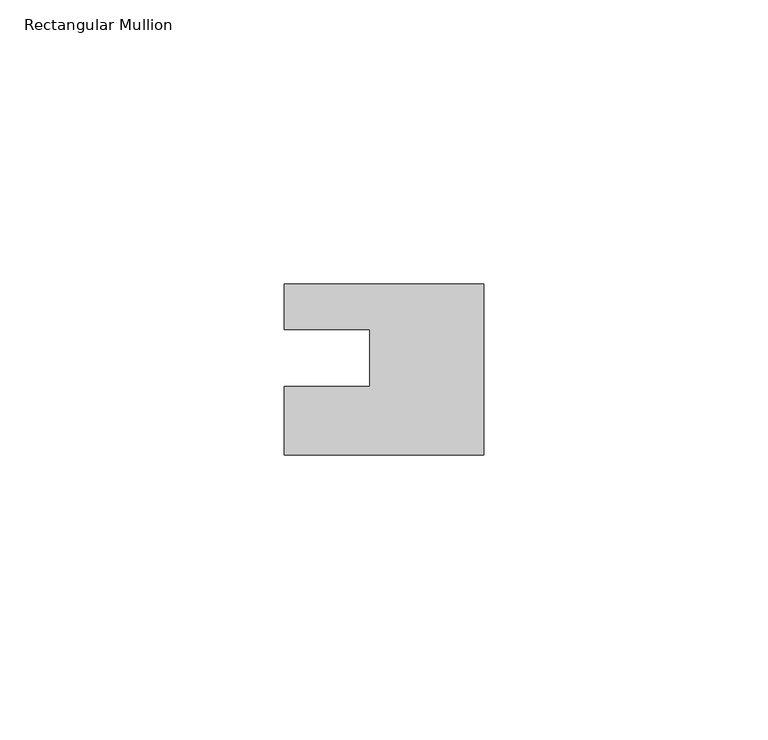
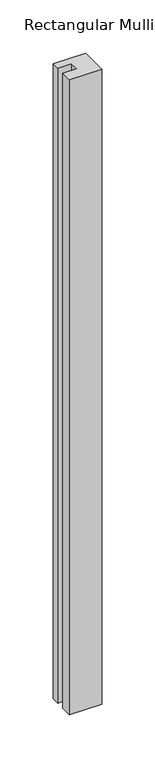
"""IFC4 building model written with IfcOpenShell, lengths in millimetres: member geometry, Rectangular Mullion."""

from ifc_helpers import new_model, si_unit, frame, origin, place, context, project, spatial, polyline, outline, extrude, source, transform, mapped, element, save


def rectangular_mullion_921fa469(model_context):
    return source(origin(), model_context, "Body", "SweptSolid", [
        extrude(outline(polyline([(0.0, 7.94), (0.0, -22.06), (-35.0, -22.06), (-35.0, -10.0), (-20.0, -10.0), (-20.0, 0.001), (-35.0, 0.001), (-35.0, 7.94), (0.0, 7.94)])), frame((0.0, 0.0, -727.0), z_axis=(0.0, 0.0, 1.0), x_axis=(1.0, 0.0, 0.0)), (0.0, 0.0, 1.0), 727.0),
    ])


if __name__ == "__main__":
    model = new_model("IFC4")
    model_context = context("Model", 3, world=origin())
    ifc_project = project(units=[si_unit("LENGTHUNIT", "METRE", prefix="MILLI")], contexts=[model_context])
    site = spatial("IfcSite", under=ifc_project)
    building = spatial("IfcBuilding", under=site)
    placement = place(None, origin())
    rectangular_mullion_shape = rectangular_mullion_921fa469(model_context)
    element("IfcMember", 1, ObjectType="Rectangular Mullion", at=placement, inside=building, context=model_context, shape_type="MappedRepresentation", body=[
        mapped(rectangular_mullion_shape, transform((0.0, 0.0, 0.0), x_axis=(1.0, 0.0, 0.0), y_axis=(0.0, 1.0, 0.0), z_axis=(0.0, 0.0, 1.0))),
    ])
    save(model, "model.ifc")
